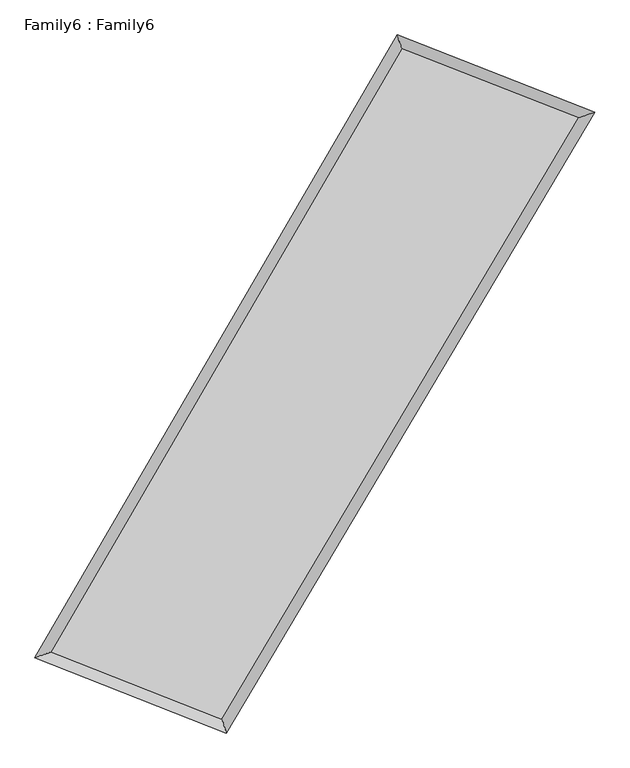
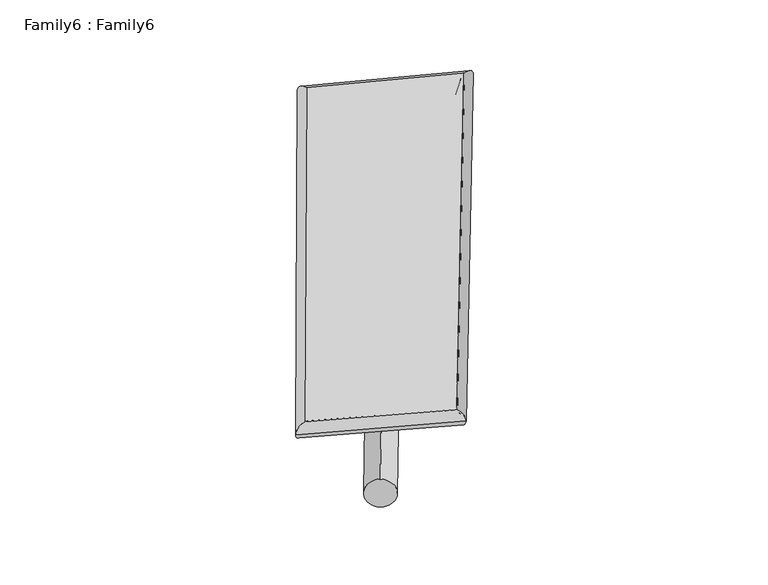
"""IFC4 building model written with IfcOpenShell, lengths in millimetres: plate geometry, Family6 : Family6."""

from ifc_helpers import new_model, si_unit, point, frame, origin, origin_2d, place, context, project, spatial, circle_curve, ellipse_curve, trimmed, segment, composite_curve, outline, extrude, source, transform, mapped, element, save
from ifc_brep_helpers import plane_surface, cylinder_surface, spline_surface, advanced_brep


def family6_family6_0f7b0f1d(model_context):
    return source(origin(), model_context, "Body", "SolidModel", [
        extrude(outline(composite_curve([segment(trimmed(circle_curve(origin_2d(), 76.2), [point((-75.4341514, -10.7763074))], [point((75.4341514, 10.7763074))], False, "CARTESIAN"), True, "CONTINUOUS"), segment(trimmed(circle_curve(origin_2d(), 76.2), [point((75.4341514, 10.7763074))], [point((-75.4341514, -10.7763074))], False, "CARTESIAN"), True, "CONTINUOUS")], self_intersect=False)), frame((9144.0, 9144.0, 0.0), z_axis=(0.6822431055367847, 0.6833040373246806, 0.2600767915891674), x_axis=(-0.6744910553037521, 0.7255027907319155, -0.13677542526138764)), (0.0, 0.0, 1.0), 5892.1886157),
        extrude(outline(composite_curve([segment(trimmed(circle_curve(origin_2d(), 76.2), [point((-53.8815367, 53.8815367))], [point((53.8815367, -53.8815367))], False, "CARTESIAN"), True, "CONTINUOUS"), segment(trimmed(circle_curve(origin_2d(), 76.2), [point((53.8815367, -53.8815367))], [point((-53.8815367, 53.8815367))], False, "CARTESIAN"), True, "CONTINUOUS")], self_intersect=False)), frame((9144.0, 9144.0, 0.0), z_axis=(-0.6770519148878836, -0.6880611571237024, 0.2610987334405163), x_axis=(0.6344054423439591, -0.36585887760983776, 0.680938335239275)), (0.0, 0.0, 1.0), 5869.3726042),
        extrude(outline(composite_curve([segment(trimmed(circle_curve(origin_2d(), 76.2), [point((-53.8815368, -53.8815368))], [point((53.8815368, 53.8815368))], False, "CARTESIAN"), True, "CONTINUOUS"), segment(trimmed(circle_curve(origin_2d(), 76.2), [point((53.8815368, 53.8815368))], [point((-53.8815368, -53.8815368))], False, "CARTESIAN"), True, "CONTINUOUS")], self_intersect=False)), frame((9144.0, 9144.0, 0.0), z_axis=(0.24325560790789325, 0.9295332439577139, 0.27711849017849866), x_axis=(-0.8460854803878413, 0.34305026246980097, -0.407990045584787)), (0.0, 0.0, 1.0), 5463.2722994),
        extrude(outline(composite_curve([segment(trimmed(circle_curve(origin_2d(), 76.2), [point((-75.4341514, 10.7763074))], [point((75.4341514, -10.7763074))], False, "CARTESIAN"), True, "CONTINUOUS"), segment(trimmed(circle_curve(origin_2d(), 76.2), [point((75.4341514, -10.7763074))], [point((-75.4341514, 10.7763074))], False, "CARTESIAN"), True, "CONTINUOUS")], self_intersect=False)), frame((9144.0, 9144.0, 0.0), z_axis=(-0.2514292070052782, -0.9273402491564666, 0.27717037388422183), x_axis=(0.8848383641172124, -0.10418068781647798, 0.4541007087337139)), (0.0, 0.0, 1.0), 5460.8471832),
        advanced_brep(
        [(4949.2245882, 5028.8204934, 1531.2921747), (4949.2151649, 5028.805171, 1534.2565752), (5391.0354901, 5182.2048954, 1533.6793314), (10539.0604742, 14032.820774, 1515.7078072), (10406.8827745, 14411.765672, 1512.2397348), (5391.0449134, 5182.2202178, 1530.7149309), (12941.2693062, 13093.5732072, 1532.1761904), (13386.540813, 13246.7393324, 1532.6668308), (7706.1398474, 4269.3252754, 1513.8908732), (7835.8271989, 3890.5479497, 1513.2792378)],
        [
            (0, 1, ellipse_curve(frame((5170.1300392, 5105.5126944, 1532.485753), z_axis=(-0.32798550040382374, 0.9446749515677921, 0.003840235050462851), x_axis=(-0.9446599630620461, -0.3280031157345248, 0.005613399688029301)), 233.8607404, 152.4)),
            (1, 2, ellipse_curve(frame((5170.1300392, 5105.5126944, 1532.485753), z_axis=(-0.32798550040382374, 0.9446749515677921, 0.003840235050462851), x_axis=(-0.9446599630620461, -0.3280031157345248, 0.005613399688029301)), 233.8607404, 152.4)),
            (2, 3),
            (3, 4, ellipse_curve(frame((10472.9716243, 14222.293223, 1513.973771), z_axis=(-0.9441967142853106, -0.32936799260838084, -0.0030479793223122035), x_axis=(0.32934507357511067, -0.9441889042341505, 0.006255847897688334)), 200.6756588, 152.4)),
            (4, 0),
            (2, 5, ellipse_curve(frame((5170.1300392, 5105.5126944, 1532.485753), z_axis=(-0.32798550040382374, 0.9446749515677921, 0.003840235050462851), x_axis=(-0.9446599630620461, -0.3280031157345248, 0.005613399688029301)), 233.8607404, 152.4)),
            (5, 0, ellipse_curve(frame((5170.1300392, 5105.5126944, 1532.485753), z_axis=(-0.32798550040382374, 0.9446749515677921, 0.003840235050462851), x_axis=(-0.9446599630620461, -0.3280031157345248, 0.005613399688029301)), 233.8607404, 152.4)),
            (4, 3, ellipse_curve(frame((10472.9716243, 14222.293223, 1513.973771), z_axis=(-0.9441967142853106, -0.32936799260838084, -0.0030479793223122035), x_axis=(0.32934507357511067, -0.9441889042341505, 0.006255847897688334)), 200.6756588, 152.4)),
            (3, 6),
            (6, 7, ellipse_curve(frame((13163.9050596, 13170.1562698, 1532.4215106), z_axis=(-0.3252718111369682, 0.9456138795266548, -0.0035552392642008734), x_axis=(-0.9456000913155572, -0.32528720949108814, -0.005357111676172062)), 235.4424254, 152.4)),
            (7, 4),
            (7, 6, ellipse_curve(frame((13163.9050596, 13170.1562698, 1532.4215106), z_axis=(-0.3252718111369682, 0.9456138795266548, -0.0035552392642008734), x_axis=(-0.9456000913155572, -0.32528720949108814, -0.005357111676172062)), 235.4424254, 152.4)),
            (6, 8),
            (8, 9, ellipse_curve(frame((7770.9835232, 4079.9366126, 1513.5850555), z_axis=(0.9460764744090187, 0.3239268662132794, -0.0032695435531218215), x_axis=(-0.3239011928132084, 0.9460679806628536, 0.006587355971216446)), 200.1839294, 152.4)),
            (9, 7),
            (9, 8, ellipse_curve(frame((7770.9835232, 4079.9366126, 1513.5850555), z_axis=(0.9460764744090187, 0.3239268662132794, -0.0032695435531218215), x_axis=(-0.3239011928132084, 0.9460679806628536, 0.006587355971216446)), 200.1839294, 152.4)),
            (8, 5),
            (1, 9),
        ],
        [
            cylinder_surface(frame((5170.1300392, 5105.5126944, 1532.485753), z_axis=(-0.5027888773722581, -0.8644074641143705, 0.0017552134081394379), x_axis=(-0.8643753658937396, 0.5027501565245215, -0.00987456078178957)), 152.4),
            cylinder_surface(frame((10472.9716243, 14222.293223, 1513.973771), z_axis=(-0.9313220669752603, 0.3641406915541767, -0.006384694148899592), x_axis=(0.3641768923221398, 0.9313110538258275, -0.005908647934638475)), 152.4),
            cylinder_surface(frame((13163.9050596, 13170.1562698, 1532.4215106), z_axis=(0.5102303803156485, 0.8600359195907246, 0.0017821382341774912), x_axis=(0.8600376270936024, -0.5102303803156484, -0.0004888621017595802)), 152.4),
            cylinder_surface(frame((7770.9835232, 4079.9366126, 1513.5850555), z_axis=(0.9302654189957694, -0.3668249554814869, -0.006760344416589688), x_axis=(-0.36680716662784707, -0.930289434852982, 0.003750988052530234)), 152.4),
        ],
        [
            (0, [[1, 2, 3, 4, 5]]),
            (0, [[6, 7, -5, 8, -3]]),
            (1, [[-4, 9, 10, 11]]),
            (1, [[-8, -11, 12, -9]]),
            (2, [[-10, 13, 14, 15]]),
            (2, [[-12, -15, 16, -13]]),
            (3, [[-14, 17, -6, -2, 18]]),
            (3, [[-16, -18, -1, -7, -17]]),
        ],
    ),
        extrude(outline(composite_curve([segment(trimmed(circle_curve(origin_2d(), 304.8), [point((-1e-07, 304.8))], [point((0.0, -304.8))], False, "CARTESIAN"), True, "CONTINUOUS"), segment(trimmed(circle_curve(origin_2d(), 304.8), [point((0.0, -304.8))], [point((-1e-07, 304.8))], False, "CARTESIAN"), True, "CONTINUOUS")], self_intersect=False)), frame((11835.571903, 13713.2600351, -0.0041312), z_axis=(-0.5075484496468874, -0.8616232188494193, 7.790190186484387e-07), x_axis=(-0.8616232188497452, 0.5075484496468874, -2.1238986018063653e-07)), (0.0, 0.0, 1.0), 10606.1673713),
        advanced_brep(
        [(5170.1300392, 5105.5126944, 1532.485753), (7770.9835232, 4079.9366126, 1513.5850555), (7770.9790346, 4079.9364105, 1665.9850554), (5170.1255506, 5105.5124923, 1684.885753), (13163.9050596, 13170.1562698, 1532.4215106), (13163.9005711, 13170.1560678, 1684.8215105), (10472.9716243, 14222.293223, 1513.973771), (10472.9671358, 14222.293021, 1666.373771)],
        [
            (0, 1),
            (1, 2),
            (2, 3),
            (3, 0),
            (1, 4),
            (4, 5),
            (5, 2),
            (4, 6),
            (6, 7),
            (7, 5),
            (6, 0),
            (3, 7),
        ],
        [
            plane_surface(frame((6470.5567812, 4592.7246535, 1523.0354043), z_axis=(-0.3668334138121961, -0.9302866474189503, -1.2037430084815316e-05), x_axis=(0.9302654189957694, -0.3668249554814866, -0.006760344416589692))),
            plane_surface(frame((10467.4442914, 8625.0464412, 1523.003283), z_axis=(0.8600372626591263, -0.510231228199522, 2.465369129317984e-05), x_axis=(0.5102303803156482, 0.8600359195907247, 0.00178213823417749))),
            plane_surface(frame((11818.438342, 13696.2247464, 1523.1976408), z_axis=(0.3641480426108096, 0.9313410776507611, 1.1959737447713326e-05), x_axis=(-0.9313220669752603, 0.36414069155417644, -0.006384694148899594))),
            plane_surface(frame((7821.5508318, 9663.9029587, 1523.229762), z_axis=(-0.8644088172531798, 0.5027896140935095, -2.479230955927561e-05), x_axis=(-0.502788877372258, -0.8644074641143703, 0.0017552134081394368))),
            spline_surface(1, 1, [[(7770.9790346, 4079.9364105, 1665.9850554), (5170.1255506, 5105.5124923, 1684.885753)], [(13163.9005711, 13170.1560678, 1684.8215105), (10472.9671358, 14222.293021, 1666.373771)]], [2, 2], [2, 2], [0.0, 1.0], [0.0, 1.0]),
            spline_surface(1, 1, [[(10472.9716243, 14222.293223, 1513.973771), (5170.1300392, 5105.5126944, 1532.485753)], [(13163.9050596, 13170.1562698, 1532.4215106), (7770.9835232, 4079.9366126, 1513.5850555)]], [2, 2], [2, 2], [0.0, 1.0], [0.0, 1.0]),
        ],
        [
            (0, [[1, 2, 3, 4]]),
            (1, [[5, 6, 7, -2]]),
            (2, [[8, 9, 10, -6]]),
            (3, [[11, -4, 12, -9]]),
            (4, [[-3, -7, -10, -12]]),
            (5, [[-11, -8, -5, -1]]),
        ],
    ),
    ])


if __name__ == "__main__":
    model = new_model("IFC4")
    model_context = context("Model", 3, world=origin())
    ifc_project = project(units=[si_unit("LENGTHUNIT", "METRE", prefix="MILLI")], contexts=[model_context])
    site = spatial("IfcSite", under=ifc_project)
    building = spatial("IfcBuilding", under=site)
    placement = place(None, origin())
    family6_family6_shape = family6_family6_0f7b0f1d(model_context)
    element("IfcPlate", 1, ObjectType="Family6 : Family6", at=placement, inside=building, context=model_context, shape_type="MappedRepresentation", body=[
        mapped(family6_family6_shape, transform((0.0, 0.0, 0.0), x_axis=(1.0, 0.0, 0.0), y_axis=(0.0, 1.0, 0.0), z_axis=(0.0, 0.0, 1.0))),
    ])
    save(model, "model.ifc")
